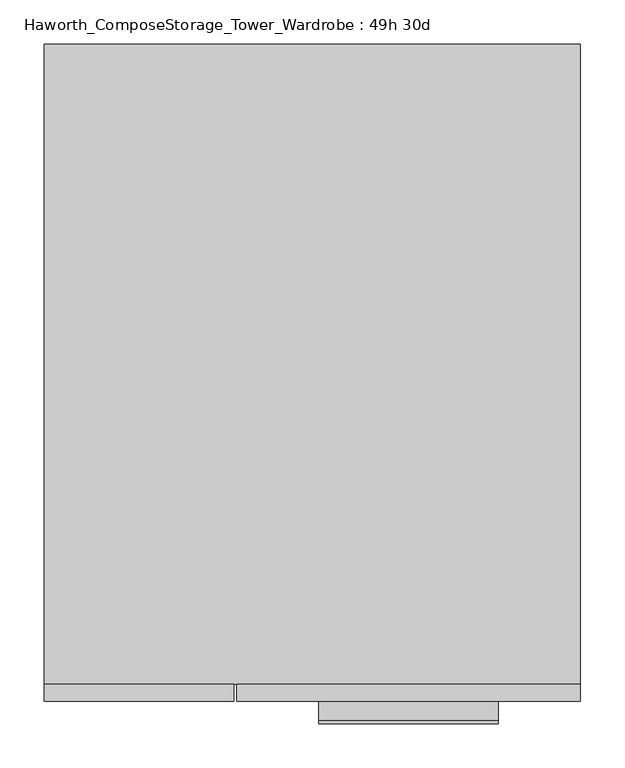
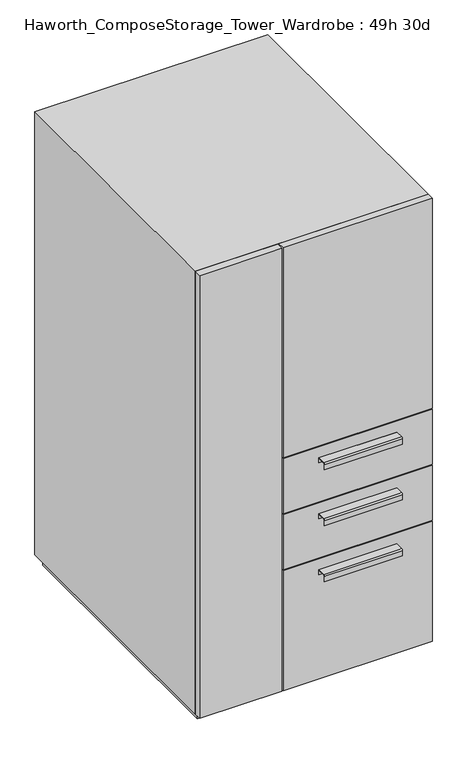
"""IFC4 building model written with IfcOpenShell, lengths in millimetres: furniture geometry, Haworth_ComposeStorage_Tower_Wardrobe : 49h 30d."""

from ifc_helpers import new_model, si_unit, point, frame, frame_2d, origin, origin_with_axes, place, context, project, spatial, polyline, circle_curve, trimmed, segment, composite_curve, outline, extrude, faceted_brep, source, transform, mapped, element, save


def haworth_composestorage_tower_wardrobe_49h_30d_bb6f8916(model_context):
    return source(origin(), model_context, "Body", "SolidModel", [
        extrude(outline(composite_curve([segment(polyline([(-403.2250242, 633.9919215), (-381.0, 633.9919215), (-381.0, 620.5299525), (-381.7937742, 620.5299525), (-381.7937742, 633.1982199), (-403.2250242, 633.1982199)]), True, "CONTINUOUS"), segment(trimmed(circle_curve(frame_2d((-403.2250242, 630.8142808)), 2.3839392), [point((-403.2250242, 633.1982199))], [point((-405.6089634, 630.8142808))], True, "CARTESIAN"), True, "CONTINUOUS"), segment(polyline([(-405.6089634, 630.8142808), (-405.6089634, 616.2119021), (-406.3999758, 616.2119021), (-406.3999758, 630.8169699)]), True, "CONTINUOUS"), segment(trimmed(circle_curve(frame_2d((-403.2250242, 630.8169699)), 3.1749516), [point((-406.3999758, 630.8169699))], [point((-403.2250242, 633.9919215))], False, "CARTESIAN"), True, "CONTINUOUS")], self_intersect=False)), frame((7.1576406, 0.0, 0.0), z_axis=(1.0, 0.0, 0.0), x_axis=(0.0, 1.0, 0.0)), (0.0, 0.0, 1.0), 203.2),
        extrude(outline(polyline([(303.2263906, -361.95), (303.2263906, -381.0), (-85.7111094, -381.0), (-85.7111094, -361.95), (303.2263906, -361.95)])), frame((0.0, 0.0, 512.7625), z_axis=(0.0, 0.0, 1.0), x_axis=(1.0, 0.0, 0.0)), (0.0, 0.0, 1.0), 150.8125),
        extrude(outline(composite_curve([segment(polyline([(-403.2250242, 480.0044215), (-381.0, 480.0044215), (-381.0, 466.5424525), (-381.7937742, 466.5424525), (-381.7937742, 479.2107199), (-403.2250242, 479.2107199)]), True, "CONTINUOUS"), segment(trimmed(circle_curve(frame_2d((-403.2250242, 476.8267808)), 2.3839392), [point((-403.2250242, 479.2107199))], [point((-405.6089634, 476.8267808))], True, "CARTESIAN"), True, "CONTINUOUS"), segment(polyline([(-405.6089634, 476.8267808), (-405.6089634, 462.2244021), (-406.3999758, 462.2244021), (-406.3999758, 476.8294699)]), True, "CONTINUOUS"), segment(trimmed(circle_curve(frame_2d((-403.2250242, 476.8294699)), 3.1749516), [point((-406.3999758, 476.8294699))], [point((-403.2250242, 480.0044215))], False, "CARTESIAN"), True, "CONTINUOUS")], self_intersect=False)), frame((7.1576406, 0.0, 0.0), z_axis=(1.0, 0.0, 0.0), x_axis=(0.0, 1.0, 0.0)), (0.0, 0.0, 1.0), 203.2),
        extrude(outline(polyline([(303.2263906, -361.95), (303.2263906, -381.0), (-85.7111094, -381.0), (-85.7111094, -361.95), (303.2263906, -361.95)])), frame((0.0, 0.0, 358.775), z_axis=(0.0, 0.0, 1.0), x_axis=(1.0, 0.0, 0.0)), (0.0, 0.0, 1.0), 150.8125),
        extrude(outline(composite_curve([segment(polyline([(-403.2250242, 326.0169215), (-381.0, 326.0169215), (-381.0, 312.5549525), (-381.7937742, 312.5549525), (-381.7937742, 325.2232199), (-403.2250242, 325.2232199)]), True, "CONTINUOUS"), segment(trimmed(circle_curve(frame_2d((-403.2250242, 322.8392808)), 2.3839392), [point((-403.2250242, 325.2232199))], [point((-405.6089634, 322.8392808))], True, "CARTESIAN"), True, "CONTINUOUS"), segment(polyline([(-405.6089634, 322.8392808), (-405.6089634, 308.2369021), (-406.3999758, 308.2369021), (-406.3999758, 322.8419699)]), True, "CONTINUOUS"), segment(trimmed(circle_curve(frame_2d((-403.2250242, 322.8419699)), 3.1749516), [point((-406.3999758, 322.8419699))], [point((-403.2250242, 326.0169215))], False, "CARTESIAN"), True, "CONTINUOUS")], self_intersect=False)), frame((7.1576406, 0.0, 0.0), z_axis=(1.0, 0.0, 0.0), x_axis=(0.0, 1.0, 0.0)), (0.0, 0.0, 1.0), 203.2),
        extrude(outline(polyline([(303.2263906, -361.95), (303.2263906, -381.0), (-85.7111094, -381.0), (-85.7111094, -361.95), (303.2263906, -361.95)])), frame((0.0, 0.0, 25.4), z_axis=(0.0, 0.0, 1.0), x_axis=(1.0, 0.0, 0.0)), (0.0, 0.0, 1.0), 330.2),
        extrude(outline(polyline([(303.2263906, -361.95), (303.2263906, -381.0), (-85.7111094, -381.0), (-85.7111094, -361.95), (303.2263906, -361.95)])), frame((0.0, 0.0, 666.75), z_axis=(0.0, 0.0, 1.0), x_axis=(1.0, 0.0, 0.0)), (0.0, 0.0, 1.0), 577.85),
        extrude(outline(polyline([(-303.1986094, -381.0), (-303.1986094, -361.95), (-88.8861094, -361.95), (-88.8861094, -381.0), (-303.1986094, -381.0)])), frame((0.0, 0.0, 25.4), z_axis=(0.0, 0.0, 1.0), x_axis=(1.0, 0.0, 0.0)), (0.0, 0.0, 1.0), 1219.2),
        faceted_brep([(-303.1986094, -361.95, 25.4), (303.2263906, -361.95, 25.4), (303.2263906, -361.95, 1244.6), (-303.1986094, -361.95, 1244.6), (-284.1486094, -361.95, 44.45), (-284.1486094, -361.95, 1225.55), (284.1694453, -361.95, 1225.55), (284.1694453, -361.95, 44.45), (-303.1986094, 361.95, 25.4), (-303.1986094, 361.95, 1244.6), (303.2263906, 361.95, 1244.6), (303.2263906, 361.95, 25.4), (-284.1486094, 342.9, 44.45), (-284.1486094, 342.9, 1225.55), (284.1694453, 342.9, 1225.55), (284.1694453, 342.9, 44.45)], [[[0, 1, 2, 3], [4, 5, 6, 7]], [[8, 9, 10, 11]], [[1, 0, 8, 11]], [[2, 1, 11, 10]], [[3, 2, 10, 9]], [[0, 3, 9, 8]], [[5, 4, 12, 13]], [[6, 5, 13, 14]], [[7, 6, 14, 15]], [[4, 7, 15, 12]], [[13, 12, 15, 14]]]),
        extrude(outline(polyline([(290.5263906, -349.25), (-290.4986094, -349.25), (-290.4986094, 349.25), (290.5263906, 349.25), (290.5263906, -349.25)])), origin_with_axes(), (0.0, 0.0, 1.0), 25.4),
    ])


if __name__ == "__main__":
    model = new_model("IFC4")
    model_context = context("Model", 3, world=origin())
    ifc_project = project(units=[si_unit("LENGTHUNIT", "METRE", prefix="MILLI")], contexts=[model_context])
    site = spatial("IfcSite", under=ifc_project)
    building = spatial("IfcBuilding", under=site)
    placement = place(None, origin())
    haworth_composestorage_tower_wardrobe_49h_30d_shape = haworth_composestorage_tower_wardrobe_49h_30d_bb6f8916(model_context)
    element("IfcFurniture", 1, ObjectType="Haworth_ComposeStorage_Tower_Wardrobe : 49h 30d", at=placement, inside=building, context=model_context, shape_type="MappedRepresentation", body=[
        mapped(haworth_composestorage_tower_wardrobe_49h_30d_shape, transform((0.0, 0.0, 0.0), x_axis=(1.0, 0.0, 0.0), y_axis=(0.0, 1.0, 0.0), z_axis=(0.0, 0.0, 1.0))),
    ])
    save(model, "model.ifc")
